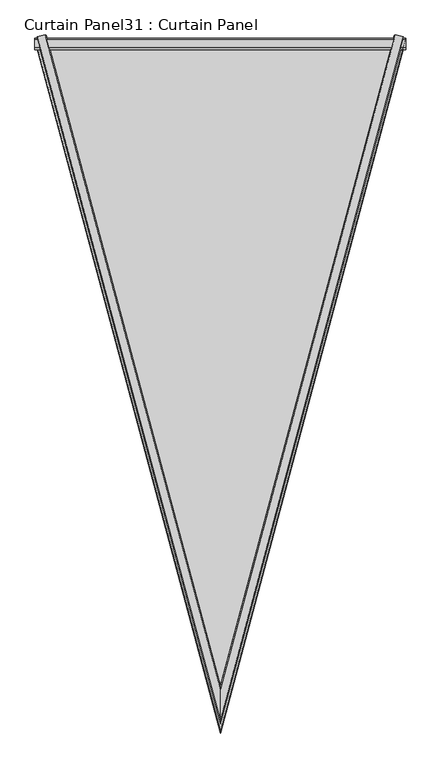
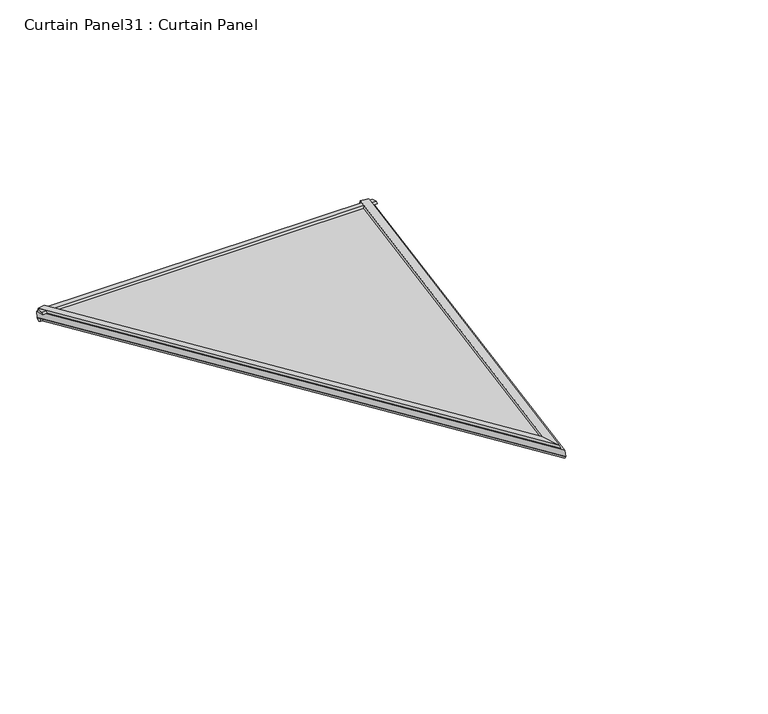
"""IFC4 building model written with IfcOpenShell, lengths in millimetres: plate geometry, Curtain Panel31 : Curtain Panel."""

from ifc_helpers import new_model, si_unit, frame, origin, place, context, project, spatial, polyline, outline, extrude, faceted_brep, source, transform, mapped, element, save


def curtain_panel31_curtain_panel_b3611490(model_context):
    return source(origin(), model_context, "Body", "SolidModel", [
        faceted_brep([(-11831.0394665, -12234.6296145, 3579.0931845), (-11829.9277874, -12236.1578664, 3574.6576849), (-11849.5603182, -12231.273808, 3573.3028401), (-11847.1754993, -12230.576258, 3578.120711), (-12577.2897781, -12234.6295656, 3579.093171), (-12561.1537454, -12230.5762091, 3578.1206974), (-12558.7689265, -12231.2737591, 3573.3028266), (-12578.4014572, -12236.1578176, 3574.6576713), (-12204.1646158, -13627.3174809, 3965.4267714), (-12204.1646158, -13632.99507, 3962.1423038), (-12204.1646158, -13554.8326828, 3940.4599468), (-12204.1646158, -13563.0364581, 3947.7470579)], [[[0, 1, 2, 3]], [[4, 5, 6, 7]], [[1, 0, 8, 9]], [[2, 1, 9, 7, 6, 10]], [[3, 2, 10, 11]], [[0, 3, 11, 8]], [[9, 8, 4, 7]], [[11, 10, 6, 5]], [[8, 11, 5, 4]]]),
        faceted_brep([(-11826.0981141, -12240.5779682, 3562.4224693), (-11827.4548245, -12241.6404772, 3557.2819218), (-11838.7804333, -12238.6234764, 3557.2194653), (-11839.4759296, -12237.2499188, 3561.4992637), (-12582.2311305, -12240.5779193, 3562.4224558), (-12568.853315, -12237.2498699, 3561.4992502), (-12569.5488113, -12238.6234275, 3557.2194517), (-12580.8744202, -12241.6404284, 3557.2819082), (-12204.1646158, -13651.7094093, 3953.8723299), (-12204.1646158, -13647.7080034, 3947.3270452), (-12204.1646158, -13602.4182207, 3935.5380591), (-12204.1646158, -13598.4487264, 3939.0977411)], [[[0, 1, 2, 3]], [[4, 5, 6, 7]], [[1, 0, 8, 9]], [[2, 1, 9, 10]], [[3, 2, 10, 11]], [[0, 3, 11, 5, 4, 8]], [[9, 8, 4, 7]], [[10, 9, 7, 6]], [[11, 10, 6, 5]]]),
        extrude(outline(polyline([(-12240.8534422, 3580.8196832), (-12240.9987877, 3576.0005633), (-12260.5372029, 3581.4205473), (-12256.8729861, 3585.4154606), (-12240.8534422, 3580.8196832)])), frame((-12582.2523354, 0.0, 0.0), z_axis=(1.0, 0.0, 0.0), x_axis=(0.0, 1.0, 0.0)), (0.0, 0.0, 1.0), 756.2160267),
        extrude(outline(polyline([(-12240.6548529, 3562.4437973), (-12244.7880927, 3555.5669501), (-12254.324887, 3561.2989168), (-12253.968537, 3566.1370321), (-12240.6548529, 3562.4437973)])), frame((-12582.2523354, 0.0, 0.0), z_axis=(1.0, 0.0, 0.0), x_axis=(0.0, 1.0, 0.0)), (0.0, 0.0, 1.0), 756.2160267),
        extrude(outline(polyline([(-12240.8534422, 3580.8196832), (-12240.9987877, 3576.0005633), (-12260.5372029, 3581.4205473), (-12256.8729861, 3585.4154606), (-12240.8534422, 3580.8196832)])), frame((-12582.2929228, 0.0, 0.0), z_axis=(1.0, 0.0, 0.0), x_axis=(0.0, 1.0, 0.0)), (0.0, 0.0, 1.0), 756.2566141),
        extrude(outline(polyline([(-12240.6548529, 3562.4437973), (-12244.7880927, 3555.5669501), (-12254.324887, 3561.2989168), (-12253.968537, 3566.1370321), (-12240.6548529, 3562.4437973)])), frame((-12582.2929228, 0.0, 0.0), z_axis=(1.0, 0.0, 0.0), x_axis=(0.0, 1.0, 0.0)), (0.0, 0.0, 1.0), 756.2566141),
        extrude(outline(polyline([(-45.6072942, -1e-07), (-1369.2463618, -732.2477678), (-1558.2894071, 0.0), (-45.6072942, -1e-07)])), frame((-12215.5651663, -13694.5079747, 3965.7447126), z_axis=(0.0, 0.26730716036356617, 0.96361137499428), x_axis=(-0.2499720885170883, -0.9330196459502064, 0.258820971394044)), (0.0, 0.0, 1.0), 12.9715177),
    ])


if __name__ == "__main__":
    model = new_model("IFC4")
    model_context = context("Model", 3, world=origin())
    ifc_project = project(units=[si_unit("LENGTHUNIT", "METRE", prefix="MILLI")], contexts=[model_context])
    site = spatial("IfcSite", under=ifc_project)
    building = spatial("IfcBuilding", under=site)
    placement = place(None, origin())
    curtain_panel31_curtain_panel_shape = curtain_panel31_curtain_panel_b3611490(model_context)
    element("IfcPlate", 1, ObjectType="Curtain Panel31 : Curtain Panel", at=placement, inside=building, context=model_context, shape_type="MappedRepresentation", body=[
        mapped(curtain_panel31_curtain_panel_shape, transform((0.0, 0.0, 0.0), x_axis=(1.0, 0.0, 0.0), y_axis=(0.0, 1.0, 0.0), z_axis=(0.0, 0.0, 1.0))),
    ])
    save(model, "model.ifc")
